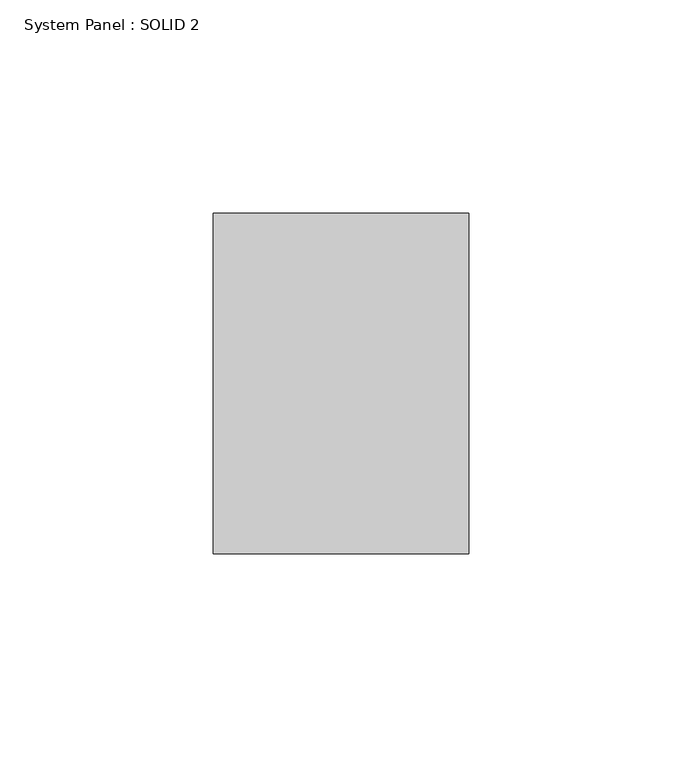
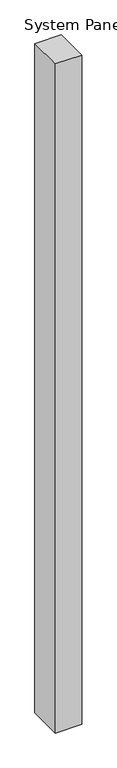
"""IFC4 building model written with IfcOpenShell, lengths in millimetres: plate geometry, System Panel : SOLID 2."""

import ifcopenshell
import ifcopenshell.guid

model = None  # the IFC model being written
_history = None  # IfcOwnerHistory: only IFC2X3 demands one
_inside = {}  # id of a spatial element -> (the spatial element, [elements in it])
_under = {}  # id of a project, library or spatial element -> (it, [spatial elements below it])
_declared = {}  # id of a project -> (the project, [libraries it declares])
_typed = {}  # id of a type object -> (the type object, [elements of that type])
_made_of = {}  # id of a material, layer set ... -> (it, [elements and type objects made of it])


def new_model(schema):
    """Start an empty IFC model of exactly this schema.

    Asked for "IFC4X3", IfcOpenShell would pick the latest addendum, in which some entities
    have other attributes; the version numbers below select the first issue.
    IFC2X3 requires an IfcOwnerHistory on every rooted entity: one is made here for all.
    """
    global model, _history
    if schema == "IFC4X3":
        model = ifcopenshell.file(schema_version=(4, 3, 0, 0))
    else:
        model = ifcopenshell.file(schema=schema)
    _inside.clear()
    _under.clear()
    _declared.clear()
    _typed.clear()
    _made_of.clear()
    _history = None
    if model.schema == "IFC2X3":
        org = make("IfcOrganization", Name="unknown")
        user = make(
            "IfcPersonAndOrganization",
            ThePerson=make("IfcPerson", FamilyName="unknown"),
            TheOrganization=org,
        )
        app = make(
            "IfcApplication",
            ApplicationDeveloper=org,
            Version="unknown",
            ApplicationFullName="unknown",
            ApplicationIdentifier="unknown",
        )
        _history = make(
            "IfcOwnerHistory",
            OwningUser=user,
            OwningApplication=app,
            ChangeAction="ADDED",
            CreationDate=0,
        )
    return model


def make(cls, **values):
    """One entity of the class cls with the attributes given. An attribute that is None is left unset."""
    return model.create_entity(
        cls, **{name: value for name, value in values.items() if value is not None}
    )


def rooted(cls, **values):
    """An entity with a GlobalId (a new one), such as an element, a storey or a relation."""
    return make(cls, GlobalId=ifcopenshell.guid.new(), OwnerHistory=_history, **values)


def si_unit(unit_type, name, prefix=None):
    """IfcSIUnit, for example si_unit("LENGTHUNIT", "METRE", prefix="MILLI")."""
    return make("IfcSIUnit", UnitType=unit_type, Prefix=prefix, Name=name)


def assignment(units):
    """IfcUnitAssignment: the units of a project."""
    return None if units is None else make("IfcUnitAssignment", Units=units)


def point(xyz):
    """IfcCartesianPoint."""
    return None if xyz is None else make("IfcCartesianPoint", Coordinates=xyz)


def direction(xyz):
    """IfcDirection."""
    return None if xyz is None else make("IfcDirection", DirectionRatios=xyz)


def frame(location, z_axis=None, x_axis=None):
    """IfcAxis2Placement3D, a coordinate frame: its origin and axes. An axis left out is left unset."""
    return make(
        "IfcAxis2Placement3D",
        Location=point(location),
        Axis=direction(z_axis),
        RefDirection=direction(x_axis),
    )


def origin():
    """The frame at (0, 0, 0) with its axes left unset."""
    return frame((0.0, 0.0, 0.0))


def origin_with_axes():
    """The frame at (0, 0, 0) with the z axis (0, 0, 1) and the x axis (1, 0, 0) written out."""
    return frame((0.0, 0.0, 0.0), z_axis=(0.0, 0.0, 1.0), x_axis=(1.0, 0.0, 0.0))


def place(relative_to, where):
    """IfcLocalPlacement: puts the frame where relative to a parent placement (None: the world)."""
    return make(
        "IfcLocalPlacement", PlacementRelTo=relative_to, RelativePlacement=where
    )


def context(
    kind, dimensions, precision=None, world=None, true_north=None, identifier=None
):
    """IfcGeometricRepresentationContext, for example the 3D "Model" context."""
    return make(
        "IfcGeometricRepresentationContext",
        ContextIdentifier=identifier,
        ContextType=kind,
        CoordinateSpaceDimension=dimensions,
        Precision=precision,
        WorldCoordinateSystem=world,
        TrueNorth=true_north,
    )


def project(units=None, contexts=None):
    """IfcProject with its units and contexts."""
    return rooted(
        "IfcProject",
        Name="project",
        RepresentationContexts=contexts,
        UnitsInContext=assignment(units),
    )


def spatial(cls, under=None, at=None, **own):
    """A site, building, storey or space (cls), placed at a placement, below another one or the project."""
    s = rooted(cls, ObjectPlacement=at, **own)
    if under is not None:
        _under.setdefault(under.id(), (under, []))[1].append(s)
    return s


def polyline(points):
    """IfcPolyline through the points."""
    return make("IfcPolyline", Points=[point(p) for p in points])


def outline(outer, holes=None, kind="AREA"):
    """IfcArbitraryClosedProfileDef: a profile drawn as a closed curve; with holes, ...WithVoids."""
    if holes is None:
        return make("IfcArbitraryClosedProfileDef", ProfileType=kind, OuterCurve=outer)
    return make(
        "IfcArbitraryProfileDefWithVoids",
        ProfileType=kind,
        OuterCurve=outer,
        InnerCurves=holes,
    )


def extrude(swept, where, along, depth):
    """IfcExtrudedAreaSolid: the profile swept, set in the frame where, extruded along a direction by depth."""
    return make(
        "IfcExtrudedAreaSolid",
        SweptArea=swept,
        Position=where,
        ExtrudedDirection=direction(along),
        Depth=depth,
    )


def shape(context_of_items, identifier, shape_type, items):
    """IfcShapeRepresentation: the items that make up one representation, for example the "Body"."""
    return make(
        "IfcShapeRepresentation",
        ContextOfItems=context_of_items,
        RepresentationIdentifier=identifier,
        RepresentationType=shape_type,
        Items=items,
    )


def source(mapping_origin, context_of_items, identifier, shape_type, items):
    """IfcRepresentationMap: a shape defined once, which mapped items show again and again."""
    return make(
        "IfcRepresentationMap",
        MappingOrigin=mapping_origin,
        MappedRepresentation=shape(context_of_items, identifier, shape_type, items),
    )


def transform(
    local_origin,
    x_axis=None,
    y_axis=None,
    z_axis=None,
    scale=None,
    scale2=None,
    scale3=None,
    uniform=True,
):
    """IfcCartesianTransformationOperator3D, or its non-uniform kind. x_axis, y_axis, z_axis: its Axis1, 2, 3."""
    if uniform:
        return make(
            "IfcCartesianTransformationOperator3D",
            Axis1=direction(x_axis),
            Axis2=direction(y_axis),
            LocalOrigin=point(local_origin),
            Scale=scale,
            Axis3=direction(z_axis),
        )
    return make(
        "IfcCartesianTransformationOperator3DnonUniform",
        Axis1=direction(x_axis),
        Axis2=direction(y_axis),
        LocalOrigin=point(local_origin),
        Scale=scale,
        Axis3=direction(z_axis),
        Scale2=scale2,
        Scale3=scale3,
    )


def mapped(mapping_source, mapping_target):
    """IfcMappedItem: shows the shape of a source again, moved by a transform."""
    return make(
        "IfcMappedItem", MappingSource=mapping_source, MappingTarget=mapping_target
    )


def made_of(thing, what):
    """Note that an element or type object is made of a material, layer set ...; save() writes the relation."""
    if what is not None:
        _made_of.setdefault(what.id(), (what, []))[1].append(thing)
    return thing


def element(
    cls,
    number,
    at=None,
    inside=None,
    cuts=None,
    type_object=None,
    material=None,
    context=None,
    identifier="Body",
    shape_type=None,
    held_by="IfcProductDefinitionShape",
    body=None,
    shapes=None,
    **own,
):
    """One element of the class cls, such as IfcWall. Its Tag is "e" and its number.

    at: its placement. inside: the storey or other place that contains it. cuts: it is an
    opening in that element (IfcRelVoidsElement). A single representation is given by context,
    identifier, shape_type and body (its items); several are given by shapes. held_by: the class
    of the entity that holds the representations. save() writes the other relations.
    """
    e = rooted(cls, Tag="e%d" % number, ObjectPlacement=at, **own)
    if body is not None:
        shapes = [shape(context, identifier, shape_type, body)]
    if shapes is not None:
        e.Representation = make(held_by, Representations=shapes)
    if inside is not None:
        _inside.setdefault(inside.id(), (inside, []))[1].append(e)
    if cuts is not None:
        rooted(
            "IfcRelVoidsElement", RelatingBuildingElement=cuts, RelatedOpeningElement=e
        )
    if type_object is not None:
        _typed.setdefault(type_object.id(), (type_object, []))[1].append(e)
    return made_of(e, material)


def aggregate(whole, parts):
    """IfcRelAggregates: a whole, such as a stair, and the parts it consists of."""
    return rooted("IfcRelAggregates", RelatingObject=whole, RelatedObjects=parts)


def save(model, path):
    """Write the relations noted so far, then the file.

    IfcRelAggregates (storeys below a building ...), IfcRelContainedInSpatialStructure (elements
    in a storey), IfcRelDefinesByType, IfcRelAssociatesMaterial and IfcRelDeclares: one each for
    every whole, place, type object, material and project.
    """
    for whole, parts in _under.values():
        aggregate(whole, parts)
    for where, things in _inside.values():
        rooted(
            "IfcRelContainedInSpatialStructure",
            RelatedElements=things,
            RelatingStructure=where,
        )
    for kind, things in _typed.values():
        rooted("IfcRelDefinesByType", RelatedObjects=things, RelatingType=kind)
    for what, things in _made_of.values():
        rooted("IfcRelAssociatesMaterial", RelatedObjects=things, RelatingMaterial=what)
    for by, libraries in _declared.values():
        rooted("IfcRelDeclares", RelatingContext=by, RelatedDefinitions=libraries)
    model.write(path)


def system_panel_solid_2_c736c8a8(model_context):
    return source(origin(), model_context, "Body", "SweptSolid", [
        extrude(outline(polyline([(30.0, 80.0), (-30.0, 80.0), (-30.0, 160.0), (30.0, 160.0), (30.0, 80.0)])), origin_with_axes(), (0.0, 0.0, 1.0), 1609.0),
    ])


if __name__ == "__main__":
    model = new_model("IFC4")
    model_context = context("Model", 3, world=origin())
    ifc_project = project(units=[si_unit("LENGTHUNIT", "METRE", prefix="MILLI")], contexts=[model_context])
    site = spatial("IfcSite", under=ifc_project)
    building = spatial("IfcBuilding", under=site)
    placement = place(None, origin())
    system_panel_solid_2_shape = system_panel_solid_2_c736c8a8(model_context)
    element("IfcPlate", 1, ObjectType="System Panel : SOLID 2", at=placement, inside=building, context=model_context, shape_type="MappedRepresentation", body=[
        mapped(system_panel_solid_2_shape, transform((0.0, 0.0, 0.0), x_axis=(1.0, 0.0, 0.0), y_axis=(0.0, 1.0, 0.0), z_axis=(0.0, 0.0, 1.0))),
    ])
    save(model, "model.ifc")
